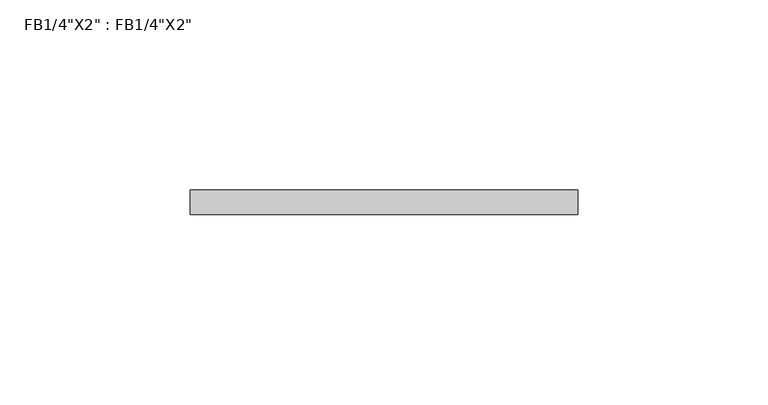
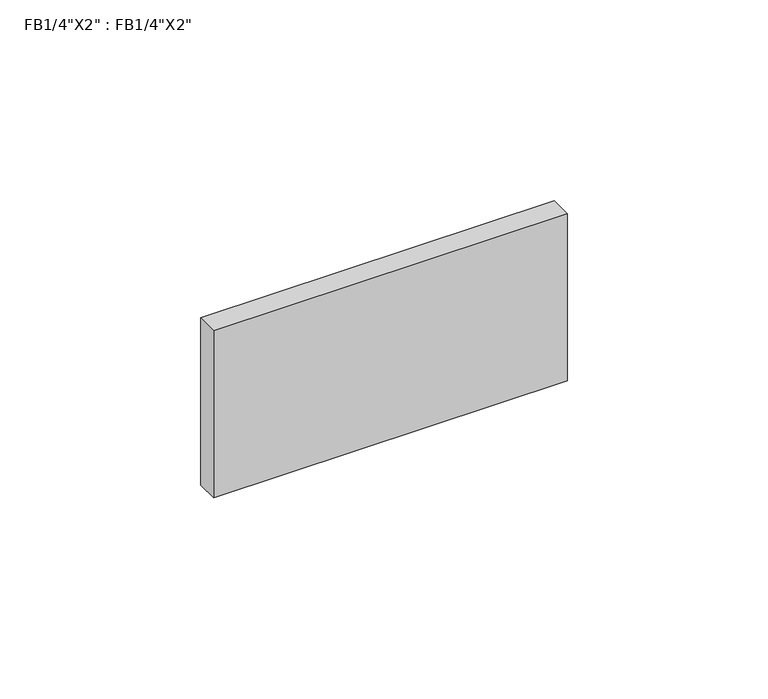
"""IFC4 building model written with IfcOpenShell, lengths in millimetres: beam geometry."""

from ifc_helpers import new_model, si_unit, frame, origin, place, context, project, spatial, polyline, outline, extrude, source, transform, mapped, element, save


def beam_4c8f2745(model_context):
    return source(origin(), model_context, "Body", "SweptSolid", [
        extrude(outline(polyline([(101.6, 3.175), (101.6, -3.175), (0.0, -3.175), (0.0, 3.175), (101.6, 3.175)])), frame((0.0, 0.0, -25.4), z_axis=(0.0, 0.0, 1.0), x_axis=(1.0, 0.0, 0.0)), (0.0, 0.0, 1.0), 50.8),
    ])


if __name__ == "__main__":
    model = new_model("IFC4")
    model_context = context("Model", 3, world=origin())
    ifc_project = project(units=[si_unit("LENGTHUNIT", "METRE", prefix="MILLI")], contexts=[model_context])
    site = spatial("IfcSite", under=ifc_project)
    building = spatial("IfcBuilding", under=site)
    placement = place(None, origin())
    beam_shape = beam_4c8f2745(model_context)
    element("IfcBeam", 1, ObjectType="FB1/4\"X2\" : FB1/4\"X2\"", at=placement, inside=building, context=model_context, shape_type="MappedRepresentation", body=[
        mapped(beam_shape, transform((0.0, 0.0, 0.0), x_axis=(1.0, 0.0, 0.0), y_axis=(0.0, 1.0, 0.0), z_axis=(0.0, 0.0, 1.0))),
    ])
    save(model, "model.ifc")
